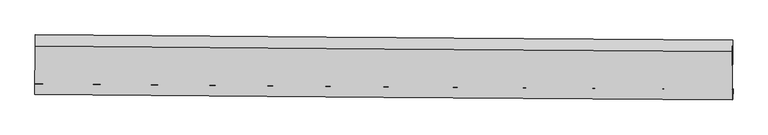
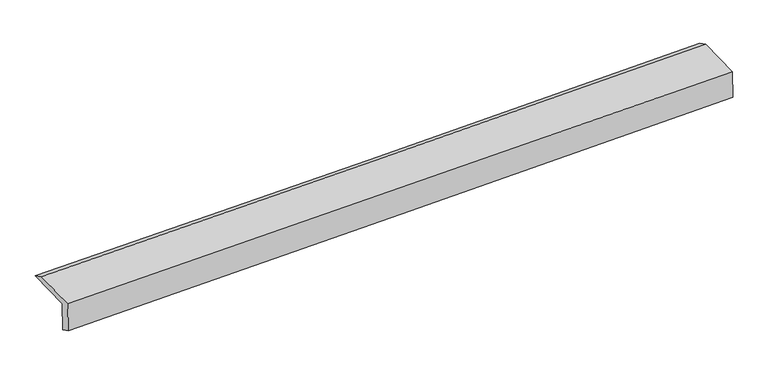
"""IFC4 building model written with IfcOpenShell, lengths in millimetres: proxy geometry."""

from ifc_helpers import new_model, si_unit, frame, origin, place, context, project, spatial, source, transform, mapped, element, save
from ifc_brep_helpers import plane_surface, spline_curve, spline_surface, advanced_brep


def generic_models_7ec16c78(model_context):
    return source(origin(), model_context, "Body", "AdvancedBrep", [
        advanced_brep(
        [(-4777.2302979, -1756.5655906, 1523.7386589), (-4788.8471126, -1764.4181962, 1927.7971009), (4764.655996, -1840.9603069, 2185.9669229), (4776.1291455, -1833.2048145, 1786.9054729), (-4780.4005613, -1901.8519303, 1597.4197667), (4772.9588821, -1978.4911542, 1860.5865807), (-4792.3603585, -1909.9363813, 2013.4078945), (4761.4300805, -1986.2842656, 2261.5837324), (-4787.8885162, -1247.5167467, 2026.410144), (4765.9019227, -1323.864631, 2274.585982), (-4784.3005944, -1090.9367097, 1941.0164771), (4769.2025142, -1167.4788204, 2199.1862991)],
        [
            (0, 1),
            (1, 2, spline_curve(3, [(-4788.8471126, -1764.4181962, 1927.7971009), (-3195.462524909, -1779.412214195, 1965.809933408), (-1602.138496513, -1793.291081873, 2006.345793777), (1582.362385944, -1818.802284495, 2092.408813689), (3173.539393668, -1830.43745388, 2137.929560996), (4764.655996, -1840.9603069, 2185.9669229)], [4, 2, 4], [0.0, 15.687970671005283, 31.35599191646728])),
            (2, 3),
            (3, 0, spline_curve(3, [(4776.1291455, -1833.2048145, 1786.9054729), (3184.988644735, -1822.698116255, 1739.699354884), (1593.811637111, -1811.062946869, 1694.178607576), (-1590.641418051, -1785.519414129, 1606.452041502), (-3183.917557977, -1771.608175937, 1564.250517678), (-4777.2302979, -1756.5655906, 1523.7386589)], [4, 2, 4], [0.0, 15.668021245461995, 31.35599191646728])),
            (4, 0),
            (3, 5),
            (5, 4, spline_curve(3, [(4772.9588821, -1978.4911542, 1860.5865807), (3181.81838155, -1967.984455744, 1813.380462458), (1590.641373335, -1956.349286485, 1767.859715249), (-1593.811681276, -1930.805753914, 1680.13314943), (-3187.087821191, -1916.894515255, 1637.931625001), (-4780.4005613, -1901.8519303, 1597.4197667)], [4, 2, 4], [0.0, 15.668008319530804, 31.355966048146858])),
            (6, 4),
            (5, 7),
            (7, 6, spline_curve(3, [(4761.4300805, -1986.2842656, 2261.5837324), (3170.169843697, -1975.85850504, 2218.542302625), (1578.897058574, -1964.288077861, 2176.352883573), (-1605.699721956, -1938.84169995, 2093.625433262), (-3199.023750398, -1924.96283257, 2053.089573117), (-4792.3603585, -1909.9363813, 2013.4078945)], [4, 2, 4], [0.0, 15.668022299407298, 31.35599402569983])),
            (8, 6),
            (7, 9),
            (9, 8, spline_curve(3, [(4765.9019227, -1323.864631, 2274.585982), (3174.641685627, -1313.438870722, 2231.54455229), (1583.368901184, -1301.868443453, 2189.355132933), (-1601.227879966, -1276.422065158, 2106.627682902), (-3194.551908271, -1262.543197596, 2066.0918224), (-4787.8885162, -1247.5167467, 2026.410144)], [4, 2, 4], [0.0, 15.66804699076772, 31.356043439859135])),
            (10, 8),
            (9, 11),
            (11, 10, spline_curve(3, [(4769.2025142, -1167.4788204, 2199.1862991), (3178.085912005, -1156.955967606, 2151.148937026), (1586.908904124, -1145.320797841, 2105.628189872), (-1597.591978293, -1119.809595528, 2019.565169994), (-3190.916006611, -1105.930728137, 1979.02930992), (-4784.3005944, -1090.9367097, 1941.0164771)], [4, 2, 4], [0.0, 15.668036461861917, 31.35602236864152])),
            (1, 10),
            (11, 2),
        ],
        [
            spline_surface(3, 3, [[(-4777.2302979, -1756.5655906, 1523.7386589), (-3183.917557816, -1771.608175739, 1564.250517438), (-1590.641417857, -1785.519414265, 1606.452041593), (1593.811636917, -1811.062946734, 1694.178607486), (3184.988644758, -1822.698116173, 1739.699354655), (4776.1291455, -1833.2048145, 1786.9054729)], [(-4781.102569491, -1759.183125797, 1658.424806228), (-3187.765880132, -1774.20952197, 1698.103656139), (-1594.473777375, -1788.109970141, 1739.749958958), (1589.995219899, -1813.642725976, 1826.922009554), (3181.17222774, -1825.277895415, 1872.442756724), (4772.304762304, -1835.789978631, 1919.925956219)], [(-4784.974841009, -1761.800661003, 1793.110953572), (-3191.614202374, -1776.810868211, 1831.956794855), (-1598.306136903, -1790.700526024, 1873.047876366), (1586.17880287, -1816.222505226, 1959.665411667), (3177.355810811, -1827.857674665, 2005.186158837), (4768.480379196, -1838.375142769, 2052.946439581)], [(-4788.8471126, -1764.4181962, 1927.7971009), (-3195.46252469, -1779.412214442, 1965.809933556), (-1602.138496421, -1793.2910819, 2006.34579373), (1582.362385852, -1818.802284468, 2092.408813736), (3173.539393793, -1830.437453907, 2137.929560905), (4764.655996, -1840.9603069, 2185.9669229)]], [4, 4], [4, 2, 4], [0.0, 1.3100500559174655], [0.0, 15.687970671005283, 31.35599191646728]),
            spline_surface(3, 3, [[(-4780.4005613, -1901.8519303, 1597.4197667), (-3187.087821216, -1916.894515439, 1637.931625238), (-1593.811681357, -1930.805753965, 1680.133149393), (1590.641373417, -1956.349286434, 1767.859715286), (3181.818381358, -1967.984455873, 1813.380462455), (4772.9588821, -1978.4911542, 1860.5865807)], [(-4779.343806828, -1853.423150422, 1572.85939744), (-3186.031066745, -1868.465735561, 1613.371255978), (-1592.754926886, -1882.376974087, 1655.572780133), (1591.698127889, -1907.920506557, 1743.299346025), (3182.87513583, -1919.555675996, 1788.820093195), (4774.015636572, -1930.062374322, 1836.02621144)], [(-4778.287052372, -1804.994370478, 1548.29902816), (-3184.974312288, -1820.036955617, 1588.810886698), (-1591.698172329, -1833.948194142, 1631.012410853), (1592.754882445, -1859.491726612, 1718.738976746), (3183.931890287, -1871.126896051, 1764.259723916), (4775.072391028, -1881.633594378, 1811.46584216)], [(-4777.2302979, -1756.5655906, 1523.7386589), (-3183.917557816, -1771.608175739, 1564.250517438), (-1590.641417857, -1785.519414265, 1606.452041593), (1593.811636917, -1811.062946734, 1694.178607486), (3184.988644758, -1822.698116173, 1739.699354655), (4776.1291455, -1833.2048145, 1786.9054729)]], [4, 4], [4, 2, 4], [0.0, 0.5345562228633567], [0.0, 15.687957728616054, 31.355966048146858]),
            spline_surface(3, 3, [[(-4792.3603585, -1909.9363813, 2013.4078945), (-3199.023750466, -1924.962832447, 2053.089573069), (-1605.699722197, -1938.841699904, 2093.625433244), (1578.897058814, -1964.288077907, 2176.352883591), (3170.169843576, -1975.85850521, 2218.5423027), (4761.4300805, -1986.2842656, 2261.5837324)], [(-4788.373759429, -1907.241564281, 1874.745185234), (-3195.045107378, -1922.273393426, 1914.70359046), (-1601.737041907, -1936.163051238, 1955.794671971), (1582.811830358, -1961.641814063, 2040.188494167), (3174.052689523, -1973.233822077, 2083.488355949), (4765.273014386, -1983.68656178, 2127.918015164)], [(-4784.387160371, -1904.546747319, 1736.082475966), (-3191.066464304, -1919.58395446, 1776.317607847), (-1597.774361647, -1933.48440263, 1817.963910666), (1586.726601873, -1958.995550278, 1904.02410471), (3177.935535411, -1970.609139006, 1948.434409206), (4769.115948214, -1981.08885802, 1994.252297936)], [(-4780.4005613, -1901.8519303, 1597.4197667), (-3187.087821216, -1916.894515439, 1637.931625238), (-1593.811681357, -1930.805753965, 1680.133149393), (1590.641373417, -1956.349286434, 1767.859715286), (3181.818381358, -1967.984455873, 1813.380462455), (4772.9588821, -1978.4911542, 1860.5865807)]], [4, 4], [4, 2, 4], [0.0, 1.3492234486475518], [0.0, 15.687971726292531, 31.35599402569983]),
            spline_surface(3, 3, [[(-4787.8885162, -1247.5167467, 2026.410144), (-3194.551908166, -1262.543197847, 2066.091822569), (-1601.227879897, -1276.422065304, 2106.627682744), (1583.368901114, -1301.868443307, 2189.355133091), (3174.641685776, -1313.43887061, 2231.5445523), (4765.9019227, -1323.864631, 2274.585982)], [(-4789.379130283, -1468.323291568, 2022.076060822), (-3196.042522249, -1483.349742715, 2061.757739391), (-1602.71849398, -1497.228610172, 2102.293599566), (1581.878287032, -1522.674988175, 2185.021049913), (3173.151071693, -1534.245415478, 2227.210469122), (4764.411308617, -1544.671175868, 2270.251898822)], [(-4790.869744417, -1689.129836432, 2017.741977678), (-3197.533136383, -1704.156287579, 2057.423656247), (-1604.209108114, -1718.035155036, 2097.959516422), (1580.387672897, -1743.481533039, 2180.686966769), (3171.660457659, -1755.051960342, 2222.876385878), (4762.920694583, -1765.477720732, 2265.917815578)], [(-4792.3603585, -1909.9363813, 2013.4078945), (-3199.023750466, -1924.962832447, 2053.089573069), (-1605.699722197, -1938.841699904, 2093.625433244), (1578.897058814, -1964.288077907, 2176.352883591), (3170.169843576, -1975.85850521, 2218.5423027), (4761.4300805, -1986.2842656, 2261.5837324)]], [4, 4], [4, 2, 4], [0.0, 2.1737608931090633], [0.0, 15.687996449091415, 31.356043439859135]),
            spline_surface(3, 3, [[(-4784.3005944, -1090.9367097, 1941.0164771), (-3190.91600649, -1105.930727942, 1979.029309756), (-1597.591978221, -1119.8095954, 2019.56516993), (1586.908904052, -1145.320797968, 2105.628189936), (3178.085911993, -1156.955967407, 2151.148937105), (4769.2025142, -1167.4788204, 2199.1862991)], [(-4785.496568356, -1143.130055361, 1969.481032746), (-3192.127973738, -1158.134884571, 2008.050147373), (-1598.803945469, -1172.013752029, 2048.586007548), (1585.72890305, -1197.503346408, 2133.537171), (3176.937836588, -1209.116935136, 2177.947475497), (4768.102317034, -1219.607423928, 2224.319526727)], [(-4786.692542244, -1195.323401039, 1997.945588354), (-3193.339940918, -1210.339041218, 2037.070984952), (-1600.015912649, -1224.217908676, 2077.606845126), (1584.548902116, -1249.685894867, 2161.446152026), (3175.789761181, -1261.27790288, 2204.746013908), (4767.002119866, -1271.736027472, 2249.452754373)], [(-4787.8885162, -1247.5167467, 2026.410144), (-3194.551908166, -1262.543197847, 2066.091822569), (-1601.227879897, -1276.422065304, 2106.627682744), (1583.368901114, -1301.868443307, 2189.355133091), (3174.641685776, -1313.43887061, 2231.5445523), (4765.9019227, -1323.864631, 2274.585982)]], [4, 4], [4, 2, 4], [0.0, 0.5852674725804746], [0.0, 15.687985906779602, 31.35602236864152]),
            spline_surface(3, 3, [[(-4788.8471126, -1764.4181962, 1927.7971009), (-3195.46252469, -1779.412214442, 1965.809933556), (-1602.138496421, -1793.2910819, 2006.34579373), (1582.362385852, -1818.802284468, 2092.408813736), (3173.539393793, -1830.437453907, 2137.929560905), (4764.655996, -1840.9603069, 2185.9669229)], [(-4787.331606513, -1539.924367371, 1932.203559629), (-3193.947018603, -1554.918385613, 1970.216392285), (-1600.622990334, -1568.797253071, 2010.75225246), (1583.877891939, -1594.308455639, 2096.815272465), (3175.05489988, -1605.943625078, 2142.336019635), (4766.171502087, -1616.466478071, 2190.373381629)], [(-4785.816100487, -1315.430538529, 1936.610018371), (-3192.431512577, -1330.424556772, 1974.622851027), (-1599.107484308, -1344.303424229, 2015.158711201), (1585.393397965, -1369.814626797, 2101.221731206), (3176.570405906, -1381.449796236, 2146.742478376), (4767.687008113, -1391.972649229, 2194.779840371)], [(-4784.3005944, -1090.9367097, 1941.0164771), (-3190.91600649, -1105.930727942, 1979.029309756), (-1597.591978221, -1119.8095954, 2019.56516993), (1586.908904052, -1145.320797968, 2105.628189936), (3178.085911993, -1156.955967407, 2151.148937105), (4769.2025142, -1167.4788204, 2199.1862991)]], [4, 4], [4, 2, 4], [0.0, 2.210060875436816], [0.0, 15.687983521189995, 31.356017600495914]),
            plane_surface(frame((4768.3797568, -1688.3806655, 2094.8024983), z_axis=(0.9995643347590811, -0.007309117925699713, 0.028595759699369012), x_axis=(-0.00674931566759307, -0.9997846457436971, -0.019624191019491113))),
            plane_surface(frame((-4785.1712401, -1611.8709258, 1838.2983404), z_axis=(-0.999564334759081, 0.007309117925702714, -0.028595759699369637), x_axis=(0.02873303700716413, 0.01942263963261666, -0.9993984058692742))),
        ],
        [
            (0, [[1, 2, 3, 4]]),
            (1, [[5, -4, 6, 7]]),
            (2, [[8, -7, 9, 10]]),
            (3, [[11, -10, 12, 13]]),
            (4, [[14, -13, 15, 16]]),
            (5, [[17, -16, 18, -2]]),
            (6, [[-12, -9, -6, -3, -18, -15]]),
            (7, [[-1, -5, -8, -11, -14, -17]]),
        ],
    ),
    ])


if __name__ == "__main__":
    model = new_model("IFC4")
    model_context = context("Model", 3, world=origin())
    ifc_project = project(units=[si_unit("LENGTHUNIT", "METRE", prefix="MILLI")], contexts=[model_context])
    site = spatial("IfcSite", under=ifc_project)
    building = spatial("IfcBuilding", under=site)
    placement = place(None, origin())
    generic_models_shape = generic_models_7ec16c78(model_context)
    element("IfcBuildingElementProxy", 1, Name="Generic Models", at=placement, inside=building, context=model_context, shape_type="MappedRepresentation", body=[
        mapped(generic_models_shape, transform((0.0, 0.0, 0.0), x_axis=(1.0, 0.0, 0.0), y_axis=(0.0, 1.0, 0.0), z_axis=(0.0, 0.0, 1.0))),
    ])
    save(model, "model.ifc")
